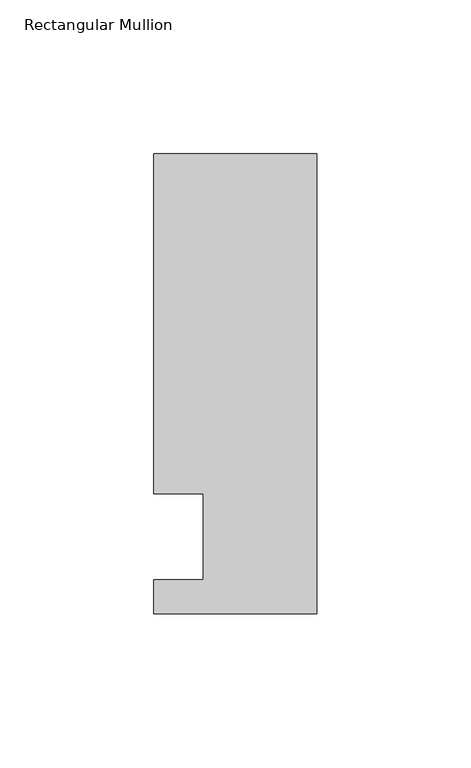
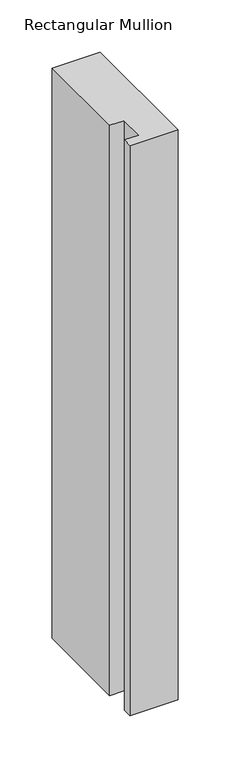
"""IFC4 building model written with IfcOpenShell, lengths in millimetres: member geometry, Rectangular Mullion."""

import ifcopenshell
import ifcopenshell.guid

model = None  # the IFC model being written
_history = None  # IfcOwnerHistory: only IFC2X3 demands one
_inside = {}  # id of a spatial element -> (the spatial element, [elements in it])
_under = {}  # id of a project, library or spatial element -> (it, [spatial elements below it])
_declared = {}  # id of a project -> (the project, [libraries it declares])
_typed = {}  # id of a type object -> (the type object, [elements of that type])
_made_of = {}  # id of a material, layer set ... -> (it, [elements and type objects made of it])


def new_model(schema):
    """Start an empty IFC model of exactly this schema.

    Asked for "IFC4X3", IfcOpenShell would pick the latest addendum, in which some entities
    have other attributes; the version numbers below select the first issue.
    IFC2X3 requires an IfcOwnerHistory on every rooted entity: one is made here for all.
    """
    global model, _history
    if schema == "IFC4X3":
        model = ifcopenshell.file(schema_version=(4, 3, 0, 0))
    else:
        model = ifcopenshell.file(schema=schema)
    _inside.clear()
    _under.clear()
    _declared.clear()
    _typed.clear()
    _made_of.clear()
    _history = None
    if model.schema == "IFC2X3":
        org = make("IfcOrganization", Name="unknown")
        user = make(
            "IfcPersonAndOrganization",
            ThePerson=make("IfcPerson", FamilyName="unknown"),
            TheOrganization=org,
        )
        app = make(
            "IfcApplication",
            ApplicationDeveloper=org,
            Version="unknown",
            ApplicationFullName="unknown",
            ApplicationIdentifier="unknown",
        )
        _history = make(
            "IfcOwnerHistory",
            OwningUser=user,
            OwningApplication=app,
            ChangeAction="ADDED",
            CreationDate=0,
        )
    return model


def make(cls, **values):
    """One entity of the class cls with the attributes given. An attribute that is None is left unset."""
    return model.create_entity(
        cls, **{name: value for name, value in values.items() if value is not None}
    )


def rooted(cls, **values):
    """An entity with a GlobalId (a new one), such as an element, a storey or a relation."""
    return make(cls, GlobalId=ifcopenshell.guid.new(), OwnerHistory=_history, **values)


def si_unit(unit_type, name, prefix=None):
    """IfcSIUnit, for example si_unit("LENGTHUNIT", "METRE", prefix="MILLI")."""
    return make("IfcSIUnit", UnitType=unit_type, Prefix=prefix, Name=name)


def assignment(units):
    """IfcUnitAssignment: the units of a project."""
    return None if units is None else make("IfcUnitAssignment", Units=units)


def point(xyz):
    """IfcCartesianPoint."""
    return None if xyz is None else make("IfcCartesianPoint", Coordinates=xyz)


def direction(xyz):
    """IfcDirection."""
    return None if xyz is None else make("IfcDirection", DirectionRatios=xyz)


def frame(location, z_axis=None, x_axis=None):
    """IfcAxis2Placement3D, a coordinate frame: its origin and axes. An axis left out is left unset."""
    return make(
        "IfcAxis2Placement3D",
        Location=point(location),
        Axis=direction(z_axis),
        RefDirection=direction(x_axis),
    )


def origin():
    """The frame at (0, 0, 0) with its axes left unset."""
    return frame((0.0, 0.0, 0.0))


def place(relative_to, where):
    """IfcLocalPlacement: puts the frame where relative to a parent placement (None: the world)."""
    return make(
        "IfcLocalPlacement", PlacementRelTo=relative_to, RelativePlacement=where
    )


def context(
    kind, dimensions, precision=None, world=None, true_north=None, identifier=None
):
    """IfcGeometricRepresentationContext, for example the 3D "Model" context."""
    return make(
        "IfcGeometricRepresentationContext",
        ContextIdentifier=identifier,
        ContextType=kind,
        CoordinateSpaceDimension=dimensions,
        Precision=precision,
        WorldCoordinateSystem=world,
        TrueNorth=true_north,
    )


def project(units=None, contexts=None):
    """IfcProject with its units and contexts."""
    return rooted(
        "IfcProject",
        Name="project",
        RepresentationContexts=contexts,
        UnitsInContext=assignment(units),
    )


def spatial(cls, under=None, at=None, **own):
    """A site, building, storey or space (cls), placed at a placement, below another one or the project."""
    s = rooted(cls, ObjectPlacement=at, **own)
    if under is not None:
        _under.setdefault(under.id(), (under, []))[1].append(s)
    return s


def polyline(points):
    """IfcPolyline through the points."""
    return make("IfcPolyline", Points=[point(p) for p in points])


def outline(outer, holes=None, kind="AREA"):
    """IfcArbitraryClosedProfileDef: a profile drawn as a closed curve; with holes, ...WithVoids."""
    if holes is None:
        return make("IfcArbitraryClosedProfileDef", ProfileType=kind, OuterCurve=outer)
    return make(
        "IfcArbitraryProfileDefWithVoids",
        ProfileType=kind,
        OuterCurve=outer,
        InnerCurves=holes,
    )


def extrude(swept, where, along, depth):
    """IfcExtrudedAreaSolid: the profile swept, set in the frame where, extruded along a direction by depth."""
    return make(
        "IfcExtrudedAreaSolid",
        SweptArea=swept,
        Position=where,
        ExtrudedDirection=direction(along),
        Depth=depth,
    )


def shape(context_of_items, identifier, shape_type, items):
    """IfcShapeRepresentation: the items that make up one representation, for example the "Body"."""
    return make(
        "IfcShapeRepresentation",
        ContextOfItems=context_of_items,
        RepresentationIdentifier=identifier,
        RepresentationType=shape_type,
        Items=items,
    )


def source(mapping_origin, context_of_items, identifier, shape_type, items):
    """IfcRepresentationMap: a shape defined once, which mapped items show again and again."""
    return make(
        "IfcRepresentationMap",
        MappingOrigin=mapping_origin,
        MappedRepresentation=shape(context_of_items, identifier, shape_type, items),
    )


def transform(
    local_origin,
    x_axis=None,
    y_axis=None,
    z_axis=None,
    scale=None,
    scale2=None,
    scale3=None,
    uniform=True,
):
    """IfcCartesianTransformationOperator3D, or its non-uniform kind. x_axis, y_axis, z_axis: its Axis1, 2, 3."""
    if uniform:
        return make(
            "IfcCartesianTransformationOperator3D",
            Axis1=direction(x_axis),
            Axis2=direction(y_axis),
            LocalOrigin=point(local_origin),
            Scale=scale,
            Axis3=direction(z_axis),
        )
    return make(
        "IfcCartesianTransformationOperator3DnonUniform",
        Axis1=direction(x_axis),
        Axis2=direction(y_axis),
        LocalOrigin=point(local_origin),
        Scale=scale,
        Axis3=direction(z_axis),
        Scale2=scale2,
        Scale3=scale3,
    )


def mapped(mapping_source, mapping_target):
    """IfcMappedItem: shows the shape of a source again, moved by a transform."""
    return make(
        "IfcMappedItem", MappingSource=mapping_source, MappingTarget=mapping_target
    )


def made_of(thing, what):
    """Note that an element or type object is made of a material, layer set ...; save() writes the relation."""
    if what is not None:
        _made_of.setdefault(what.id(), (what, []))[1].append(thing)
    return thing


def element(
    cls,
    number,
    at=None,
    inside=None,
    cuts=None,
    type_object=None,
    material=None,
    context=None,
    identifier="Body",
    shape_type=None,
    held_by="IfcProductDefinitionShape",
    body=None,
    shapes=None,
    **own,
):
    """One element of the class cls, such as IfcWall. Its Tag is "e" and its number.

    at: its placement. inside: the storey or other place that contains it. cuts: it is an
    opening in that element (IfcRelVoidsElement). A single representation is given by context,
    identifier, shape_type and body (its items); several are given by shapes. held_by: the class
    of the entity that holds the representations. save() writes the other relations.
    """
    e = rooted(cls, Tag="e%d" % number, ObjectPlacement=at, **own)
    if body is not None:
        shapes = [shape(context, identifier, shape_type, body)]
    if shapes is not None:
        e.Representation = make(held_by, Representations=shapes)
    if inside is not None:
        _inside.setdefault(inside.id(), (inside, []))[1].append(e)
    if cuts is not None:
        rooted(
            "IfcRelVoidsElement", RelatingBuildingElement=cuts, RelatedOpeningElement=e
        )
    if type_object is not None:
        _typed.setdefault(type_object.id(), (type_object, []))[1].append(e)
    return made_of(e, material)


def aggregate(whole, parts):
    """IfcRelAggregates: a whole, such as a stair, and the parts it consists of."""
    return rooted("IfcRelAggregates", RelatingObject=whole, RelatedObjects=parts)


def save(model, path):
    """Write the relations noted so far, then the file.

    IfcRelAggregates (storeys below a building ...), IfcRelContainedInSpatialStructure (elements
    in a storey), IfcRelDefinesByType, IfcRelAssociatesMaterial and IfcRelDeclares: one each for
    every whole, place, type object, material and project.
    """
    for whole, parts in _under.values():
        aggregate(whole, parts)
    for where, things in _inside.values():
        rooted(
            "IfcRelContainedInSpatialStructure",
            RelatedElements=things,
            RelatingStructure=where,
        )
    for kind, things in _typed.values():
        rooted("IfcRelDefinesByType", RelatedObjects=things, RelatingType=kind)
    for what, things in _made_of.values():
        rooted("IfcRelAssociatesMaterial", RelatedObjects=things, RelatingMaterial=what)
    for by, libraries in _declared.values():
        rooted("IfcRelDeclares", RelatingContext=by, RelatedDefinitions=libraries)
    model.write(path)


def rectangular_mullion_39fbcc6c(model_context):
    return source(origin(), model_context, "Body", "SweptSolid", [
        extrude(outline(polyline([(0.0, -25.0), (-53.0, -25.0), (-53.0, -14.0), (-37.0, -14.0), (-37.0, 14.0), (-53.0, 14.0), (-53.0, 124.5), (0.0, 124.5), (0.0, -25.0)])), frame((0.0, 0.0, -666.20085), z_axis=(0.0, 0.0, 1.0), x_axis=(1.0, 0.0, 0.0)), (0.0, 0.0, 1.0), 666.20085),
    ])


if __name__ == "__main__":
    model = new_model("IFC4")
    model_context = context("Model", 3, world=origin())
    ifc_project = project(units=[si_unit("LENGTHUNIT", "METRE", prefix="MILLI")], contexts=[model_context])
    site = spatial("IfcSite", under=ifc_project)
    building = spatial("IfcBuilding", under=site)
    placement = place(None, origin())
    rectangular_mullion_shape = rectangular_mullion_39fbcc6c(model_context)
    element("IfcMember", 1, ObjectType="Rectangular Mullion", at=placement, inside=building, context=model_context, shape_type="MappedRepresentation", body=[
        mapped(rectangular_mullion_shape, transform((0.0, 0.0, 0.0), x_axis=(1.0, 0.0, 0.0), y_axis=(0.0, 1.0, 0.0), z_axis=(0.0, 0.0, 1.0))),
    ])
    save(model, "model.ifc")
